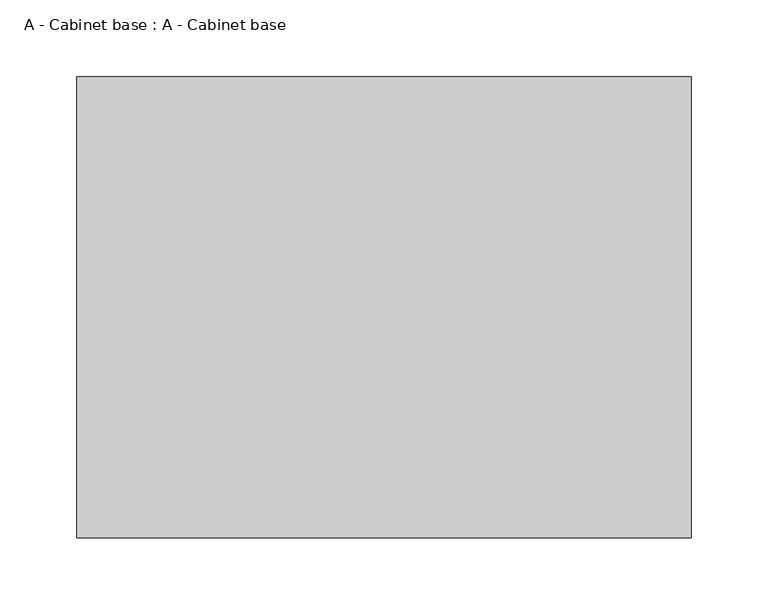
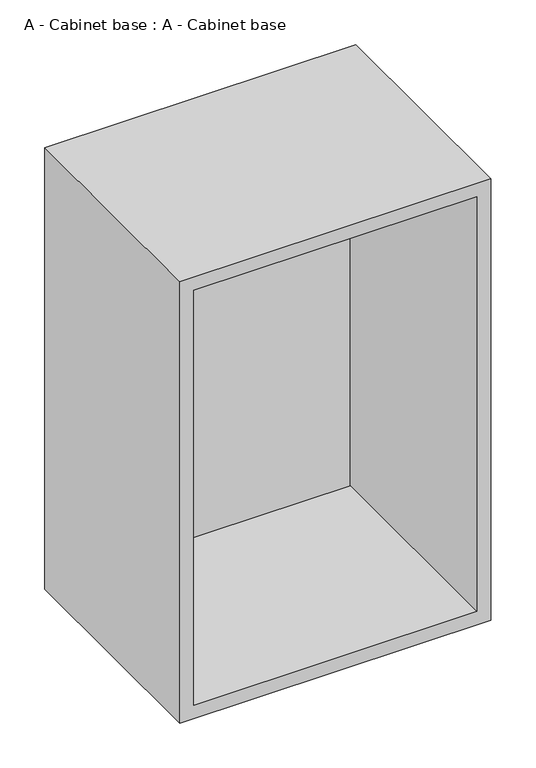
"""IFC4 building model written with IfcOpenShell, lengths in millimetres: furniture geometry, A - Cabinet base : A - Cabinet base."""

from ifc_helpers import new_model, si_unit, origin, place, context, project, spatial, faceted_brep, source, transform, mapped, element, save


def a_cabinet_base_a_cabinet_base_f4af06a8(model_context):
    return source(origin(), model_context, "Body", "Brep", [
        faceted_brep([(200.0, -850.0, 600.0), (200.0, -850.0, 0.0), (-200.0, -850.0, 0.0), (-200.0, -850.0, 600.0), (200.0, -1150.0, 600.0), (-200.0, -1150.0, 600.0), (-200.0, -1150.0, 0.0), (200.0, -1150.0, 0.0), (-182.0, -1150.0, 582.0), (182.0, -1150.0, 582.0), (182.0, -1150.0, 18.0), (-182.0, -1150.0, 18.0), (182.0, -868.0, 582.0), (-182.0, -868.0, 582.0), (-182.0, -868.0, 18.0), (182.0, -868.0, 18.0)], [[[0, 1, 2, 3]], [[4, 5, 6, 7], [8, 9, 10, 11]], [[0, 3, 5, 4]], [[3, 2, 6, 5]], [[2, 1, 7, 6]], [[1, 0, 4, 7]], [[12, 13, 14, 15]], [[13, 12, 9, 8]], [[14, 13, 8, 11]], [[15, 14, 11, 10]], [[12, 15, 10, 9]]]),
    ])


if __name__ == "__main__":
    model = new_model("IFC4")
    model_context = context("Model", 3, world=origin())
    ifc_project = project(units=[si_unit("LENGTHUNIT", "METRE", prefix="MILLI")], contexts=[model_context])
    site = spatial("IfcSite", under=ifc_project)
    building = spatial("IfcBuilding", under=site)
    placement = place(None, origin())
    a_cabinet_base_a_cabinet_base_shape = a_cabinet_base_a_cabinet_base_f4af06a8(model_context)
    element("IfcFurniture", 1, ObjectType="A - Cabinet base : A - Cabinet base", at=placement, inside=building, context=model_context, shape_type="MappedRepresentation", body=[
        mapped(a_cabinet_base_a_cabinet_base_shape, transform((0.0, 0.0, 0.0), x_axis=(1.0, 0.0, 0.0), y_axis=(0.0, 1.0, 0.0), z_axis=(0.0, 0.0, 1.0))),
    ])
    save(model, "model.ifc")
